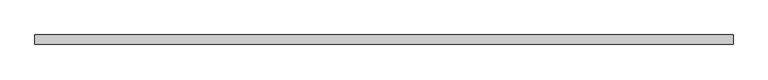
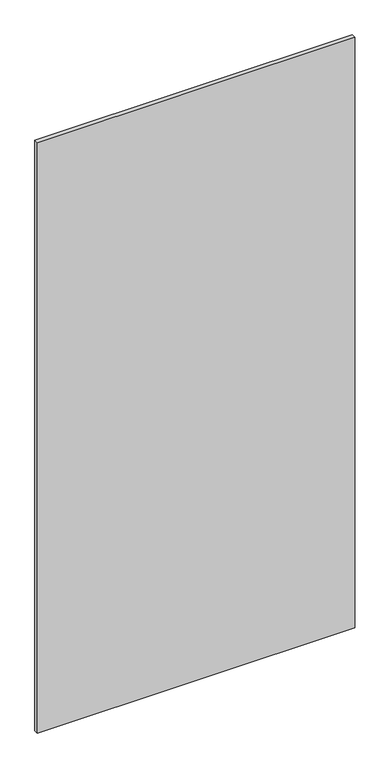
"""IFC4 building model written with IfcOpenShell, lengths in millimetres: plate geometry."""

from ifc_helpers import new_model, si_unit, origin, origin_with_axes, place, context, project, spatial, polyline, outline, extrude, source, transform, mapped, element, save


def plate_6b159fe6(model_context):
    return source(origin(), model_context, "Body", "SweptSolid", [
        extrude(outline(polyline([(915.0000002, 24.5), (-915.0000002, 24.5), (-915.0000002, 49.5), (915.0000002, 49.5), (915.0000002, 24.5)])), origin_with_axes(), (0.0, 0.0, 1.0), 3600.0),
    ])


if __name__ == "__main__":
    model = new_model("IFC4")
    model_context = context("Model", 3, world=origin())
    ifc_project = project(units=[si_unit("LENGTHUNIT", "METRE", prefix="MILLI")], contexts=[model_context])
    site = spatial("IfcSite", under=ifc_project)
    building = spatial("IfcBuilding", under=site)
    placement = place(None, origin())
    plate_shape = plate_6b159fe6(model_context)
    element("IfcPlate", 1, at=placement, inside=building, context=model_context, shape_type="MappedRepresentation", body=[
        mapped(plate_shape, transform((0.0, 0.0, 0.0), x_axis=(1.0, 0.0, 0.0), y_axis=(0.0, 1.0, 0.0), z_axis=(0.0, 0.0, 1.0))),
    ])
    save(model, "model.ifc")
